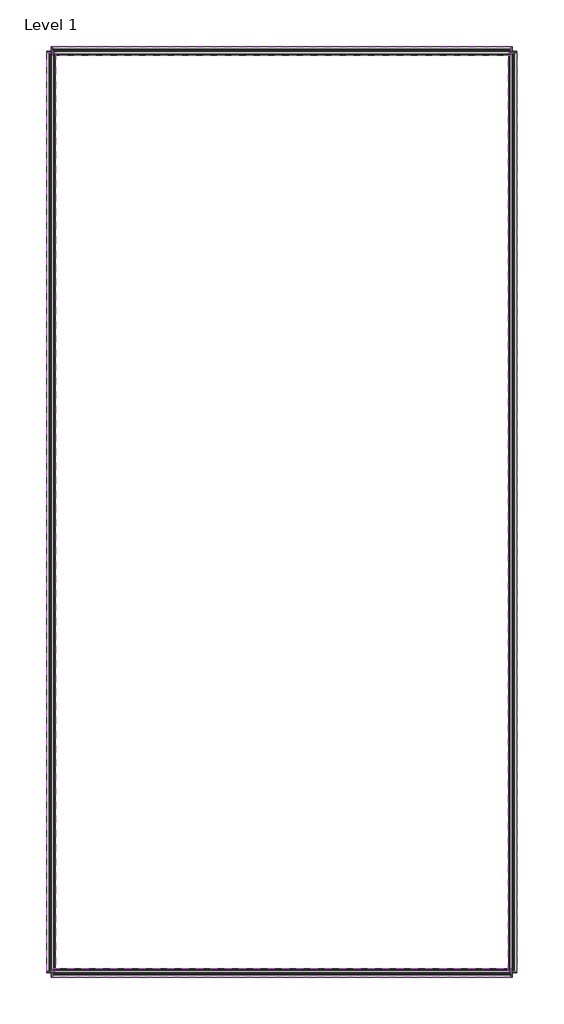
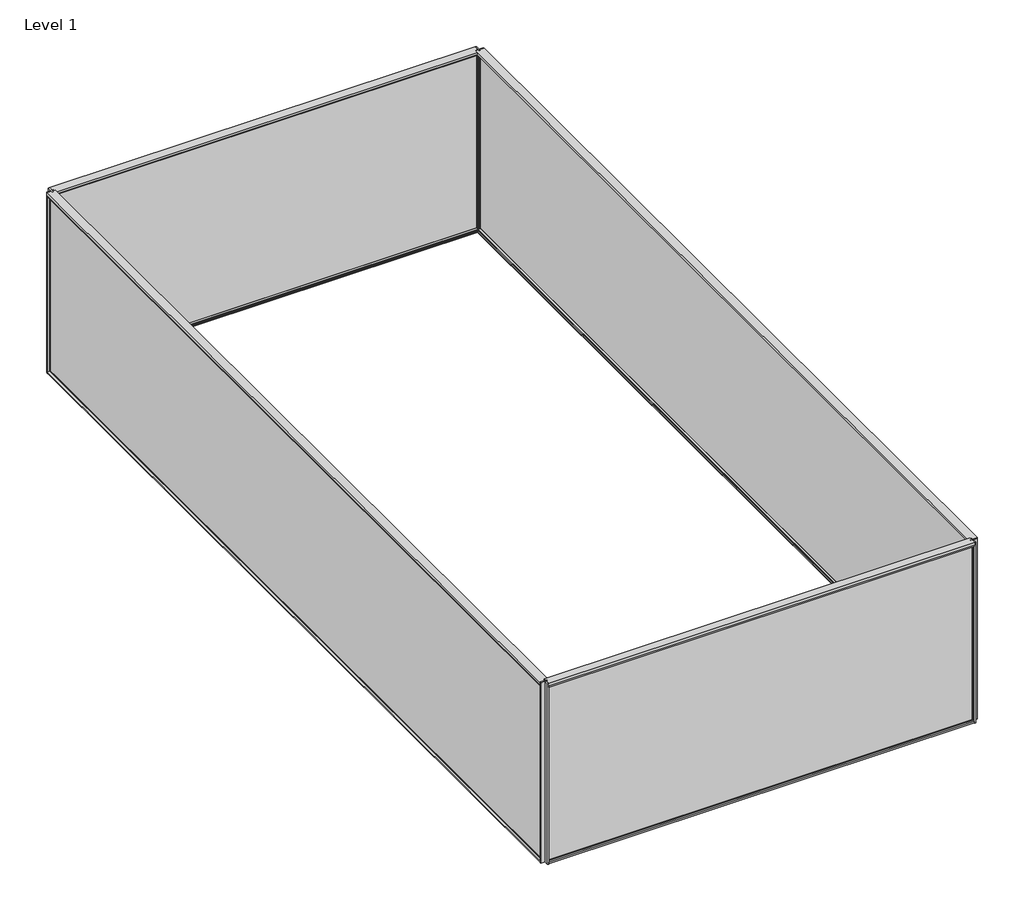
# One storey: 16 members, 4 plates.
"""IFC4 building model written with IfcOpenShell, lengths in millimetres."""

import ifcopenshell
import ifcopenshell.guid

model = None  # the IFC model being written
_history = None  # IfcOwnerHistory: only IFC2X3 demands one
_inside = {}  # id of a spatial element -> (the spatial element, [elements in it])
_under = {}  # id of a project, library or spatial element -> (it, [spatial elements below it])
_declared = {}  # id of a project -> (the project, [libraries it declares])
_typed = {}  # id of a type object -> (the type object, [elements of that type])
_made_of = {}  # id of a material, layer set ... -> (it, [elements and type objects made of it])


def new_model(schema):
    """Start an empty IFC model of exactly this schema.

    Asked for "IFC4X3", IfcOpenShell would pick the latest addendum, in which some entities
    have other attributes; the version numbers below select the first issue.
    IFC2X3 requires an IfcOwnerHistory on every rooted entity: one is made here for all.
    """
    global model, _history
    if schema == "IFC4X3":
        model = ifcopenshell.file(schema_version=(4, 3, 0, 0))
    else:
        model = ifcopenshell.file(schema=schema)
    _inside.clear()
    _under.clear()
    _declared.clear()
    _typed.clear()
    _made_of.clear()
    _history = None
    if model.schema == "IFC2X3":
        org = make("IfcOrganization", Name="unknown")
        user = make(
            "IfcPersonAndOrganization",
            ThePerson=make("IfcPerson", FamilyName="unknown"),
            TheOrganization=org,
        )
        app = make(
            "IfcApplication",
            ApplicationDeveloper=org,
            Version="unknown",
            ApplicationFullName="unknown",
            ApplicationIdentifier="unknown",
        )
        _history = make(
            "IfcOwnerHistory",
            OwningUser=user,
            OwningApplication=app,
            ChangeAction="ADDED",
            CreationDate=0,
        )
    return model


def make(cls, **values):
    """One entity of the class cls with the attributes given. An attribute that is None is left unset."""
    return model.create_entity(
        cls, **{name: value for name, value in values.items() if value is not None}
    )


def rooted(cls, **values):
    """An entity with a GlobalId (a new one), such as an element, a storey or a relation."""
    return make(cls, GlobalId=ifcopenshell.guid.new(), OwnerHistory=_history, **values)


def si_unit(unit_type, name, prefix=None):
    """IfcSIUnit, for example si_unit("LENGTHUNIT", "METRE", prefix="MILLI")."""
    return make("IfcSIUnit", UnitType=unit_type, Prefix=prefix, Name=name)


def assignment(units):
    """IfcUnitAssignment: the units of a project."""
    return None if units is None else make("IfcUnitAssignment", Units=units)


def point(xyz):
    """IfcCartesianPoint."""
    return None if xyz is None else make("IfcCartesianPoint", Coordinates=xyz)


def direction(xyz):
    """IfcDirection."""
    return None if xyz is None else make("IfcDirection", DirectionRatios=xyz)


def frame(location, z_axis=None, x_axis=None):
    """IfcAxis2Placement3D, a coordinate frame: its origin and axes. An axis left out is left unset."""
    return make(
        "IfcAxis2Placement3D",
        Location=point(location),
        Axis=direction(z_axis),
        RefDirection=direction(x_axis),
    )


def origin():
    """The frame at (0, 0, 0) with its axes left unset."""
    return frame((0.0, 0.0, 0.0))


def place(relative_to, where):
    """IfcLocalPlacement: puts the frame where relative to a parent placement (None: the world)."""
    return make(
        "IfcLocalPlacement", PlacementRelTo=relative_to, RelativePlacement=where
    )


def context(
    kind, dimensions, precision=None, world=None, true_north=None, identifier=None
):
    """IfcGeometricRepresentationContext, for example the 3D "Model" context."""
    return make(
        "IfcGeometricRepresentationContext",
        ContextIdentifier=identifier,
        ContextType=kind,
        CoordinateSpaceDimension=dimensions,
        Precision=precision,
        WorldCoordinateSystem=world,
        TrueNorth=true_north,
    )


def project(units=None, contexts=None):
    """IfcProject with its units and contexts."""
    return rooted(
        "IfcProject",
        Name="project",
        RepresentationContexts=contexts,
        UnitsInContext=assignment(units),
    )


def spatial(cls, under=None, at=None, **own):
    """A site, building, storey or space (cls), placed at a placement, below another one or the project."""
    s = rooted(cls, ObjectPlacement=at, **own)
    if under is not None:
        _under.setdefault(under.id(), (under, []))[1].append(s)
    return s


def polyline(points):
    """IfcPolyline through the points."""
    return make("IfcPolyline", Points=[point(p) for p in points])


def outline(outer, holes=None, kind="AREA"):
    """IfcArbitraryClosedProfileDef: a profile drawn as a closed curve; with holes, ...WithVoids."""
    if holes is None:
        return make("IfcArbitraryClosedProfileDef", ProfileType=kind, OuterCurve=outer)
    return make(
        "IfcArbitraryProfileDefWithVoids",
        ProfileType=kind,
        OuterCurve=outer,
        InnerCurves=holes,
    )


def extrude(swept, where, along, depth):
    """IfcExtrudedAreaSolid: the profile swept, set in the frame where, extruded along a direction by depth."""
    return make(
        "IfcExtrudedAreaSolid",
        SweptArea=swept,
        Position=where,
        ExtrudedDirection=direction(along),
        Depth=depth,
    )


def faces_of(points, faces, orient=None, outer=None):
    """IfcFace entities. A face is a list of loops; a loop is a list of indices into points, from 0.

    orient and outer hold one flag for each loop. By default every Orientation is true, the
    first loop of a face is its IfcFaceOuterBound and the others are IfcFaceBound.
    """
    made = []
    for i, loops in enumerate(faces):
        bounds = []
        for j, loop in enumerate(loops):
            is_outer = j == 0 if outer is None else outer[i][j]
            bounds.append(
                make(
                    "IfcFaceOuterBound" if is_outer else "IfcFaceBound",
                    Bound=make("IfcPolyLoop", Polygon=[points[k] for k in loop]),
                    Orientation=True if orient is None else orient[i][j],
                )
            )
        made.append(make("IfcFace", Bounds=bounds))
    return made


def faceted_brep(points, faces, orient=None, outer=None, voids=None):
    """IfcFacetedBrep: a solid bounded by flat faces; with voids (closed shells), ...WithVoids."""
    shared = [point(p) for p in points]
    hull = make("IfcClosedShell", CfsFaces=faces_of(shared, faces, orient, outer))
    if voids is None:
        return make("IfcFacetedBrep", Outer=hull)
    return make(
        "IfcFacetedBrepWithVoids",
        Outer=hull,
        Voids=[
            make(cls, CfsFaces=faces_of(shared, fs, o, b)) for cls, fs, o, b in voids
        ],
    )


def shape(context_of_items, identifier, shape_type, items):
    """IfcShapeRepresentation: the items that make up one representation, for example the "Body"."""
    return make(
        "IfcShapeRepresentation",
        ContextOfItems=context_of_items,
        RepresentationIdentifier=identifier,
        RepresentationType=shape_type,
        Items=items,
    )


def source(mapping_origin, context_of_items, identifier, shape_type, items):
    """IfcRepresentationMap: a shape defined once, which mapped items show again and again."""
    return make(
        "IfcRepresentationMap",
        MappingOrigin=mapping_origin,
        MappedRepresentation=shape(context_of_items, identifier, shape_type, items),
    )


def transform(
    local_origin,
    x_axis=None,
    y_axis=None,
    z_axis=None,
    scale=None,
    scale2=None,
    scale3=None,
    uniform=True,
):
    """IfcCartesianTransformationOperator3D, or its non-uniform kind. x_axis, y_axis, z_axis: its Axis1, 2, 3."""
    if uniform:
        return make(
            "IfcCartesianTransformationOperator3D",
            Axis1=direction(x_axis),
            Axis2=direction(y_axis),
            LocalOrigin=point(local_origin),
            Scale=scale,
            Axis3=direction(z_axis),
        )
    return make(
        "IfcCartesianTransformationOperator3DnonUniform",
        Axis1=direction(x_axis),
        Axis2=direction(y_axis),
        LocalOrigin=point(local_origin),
        Scale=scale,
        Axis3=direction(z_axis),
        Scale2=scale2,
        Scale3=scale3,
    )


def mapped(mapping_source, mapping_target):
    """IfcMappedItem: shows the shape of a source again, moved by a transform."""
    return make(
        "IfcMappedItem", MappingSource=mapping_source, MappingTarget=mapping_target
    )


def made_of(thing, what):
    """Note that an element or type object is made of a material, layer set ...; save() writes the relation."""
    if what is not None:
        _made_of.setdefault(what.id(), (what, []))[1].append(thing)
    return thing


def element(
    cls,
    number,
    at=None,
    inside=None,
    cuts=None,
    type_object=None,
    material=None,
    context=None,
    identifier="Body",
    shape_type=None,
    held_by="IfcProductDefinitionShape",
    body=None,
    shapes=None,
    **own,
):
    """One element of the class cls, such as IfcWall. Its Tag is "e" and its number.

    at: its placement. inside: the storey or other place that contains it. cuts: it is an
    opening in that element (IfcRelVoidsElement). A single representation is given by context,
    identifier, shape_type and body (its items); several are given by shapes. held_by: the class
    of the entity that holds the representations. save() writes the other relations.
    """
    e = rooted(cls, Tag="e%d" % number, ObjectPlacement=at, **own)
    if body is not None:
        shapes = [shape(context, identifier, shape_type, body)]
    if shapes is not None:
        e.Representation = make(held_by, Representations=shapes)
    if inside is not None:
        _inside.setdefault(inside.id(), (inside, []))[1].append(e)
    if cuts is not None:
        rooted(
            "IfcRelVoidsElement", RelatingBuildingElement=cuts, RelatedOpeningElement=e
        )
    if type_object is not None:
        _typed.setdefault(type_object.id(), (type_object, []))[1].append(e)
    return made_of(e, material)


def aggregate(whole, parts):
    """IfcRelAggregates: a whole, such as a stair, and the parts it consists of."""
    return rooted("IfcRelAggregates", RelatingObject=whole, RelatedObjects=parts)


def save(model, path):
    """Write the relations noted so far, then the file.

    IfcRelAggregates (storeys below a building ...), IfcRelContainedInSpatialStructure (elements
    in a storey), IfcRelDefinesByType, IfcRelAssociatesMaterial and IfcRelDeclares: one each for
    every whole, place, type object, material and project.
    """
    for whole, parts in _under.values():
        aggregate(whole, parts)
    for where, things in _inside.values():
        rooted(
            "IfcRelContainedInSpatialStructure",
            RelatedElements=things,
            RelatingStructure=where,
        )
    for kind, things in _typed.values():
        rooted("IfcRelDefinesByType", RelatedObjects=things, RelatingType=kind)
    for what, things in _made_of.values():
        rooted("IfcRelAssociatesMaterial", RelatedObjects=things, RelatingMaterial=what)
    for by, libraries in _declared.values():
        rooted("IfcRelDeclares", RelatingContext=by, RelatedDefinitions=libraries)
    model.write(path)


def rectangular_mullion_qws_mullion_ew_head_895bf521(model_context):
    return source(origin(), model_context, "Body", "SweptSolid", [
        extrude(outline(polyline([(-53.6296796, 52.0998485), (-53.6296796, 79.0368628), (0.0, 79.0368628), (0.0, -95.5153725), (-53.6295708, -95.5153725), (-53.6295708, -88.9), (-82.5499489, -88.9), (-82.5499489, 52.0998485), (-53.6296796, 52.0998485)])), frame((0.0, 0.0, -8914.4770724), z_axis=(0.0, 0.0, 1.0), x_axis=(1.0, 0.0, 0.0)), (0.0, 0.0, 1.0), 8914.4770724),
    ])


def rectangular_mullion_qws_mullion_ew_head_e1ec347b(model_context):
    return source(origin(), model_context, "Body", "SweptSolid", [
        extrude(outline(polyline([(-53.6296796, 52.0998485), (-53.6296796, 79.0368628), (0.0, 79.0368628), (0.0, -95.5153725), (-53.6295708, -95.5153725), (-53.6295708, -88.9), (-82.5499489, -88.9), (-82.5499489, 52.0998485), (-53.6296796, 52.0998485)])), frame((0.0, 0.0, -17870.3600445), z_axis=(0.0, 0.0, 1.0), x_axis=(1.0, 0.0, 0.0)), (0.0, 0.0, 1.0), 17870.3600445),
    ])


def rectangular_mullion_qws_mullion_ew_jamb_non_seismic_side_1_6b3b1e47(model_context):
    return source(origin(), model_context, "Body", "SweptSolid", [
        extrude(outline(polyline([(-25.3999466, -88.9), (-25.3999466, 52.0998485), (0.0, 52.0998485), (0.0, -88.9), (-25.3999466, -88.9)])), frame((0.0, 0.0, -4000.0), z_axis=(0.0, 0.0, 1.0), x_axis=(1.0, 0.0, 0.0)), (0.0, 0.0, 1.0), 4000.0),
    ])


def rectangular_mullion_qws_mullion_ew_sill_b4b38639(model_context):
    return source(origin(), model_context, "Body", "SweptSolid", [
        extrude(outline(polyline([(-9.525, -88.9), (-34.9249494, -88.9), (-34.9249494, 52.0998485), (-32.3972498, 52.0998485), (-32.3972498, 70.2579067), (-6.9972498, 70.2579067), (-6.9972498, 57.085584), (0.0, 57.085584), (0.0, 6.285584), (-9.525, 6.285584), (-9.525, -88.9)])), frame((0.0, 0.0, -8914.4770724), z_axis=(0.0, 0.0, 1.0), x_axis=(1.0, 0.0, 0.0)), (0.0, 0.0, 1.0), 8914.4770724),
    ])


def rectangular_mullion_qws_mullion_ew_sill_8b8bb3f2(model_context):
    return source(origin(), model_context, "Body", "SweptSolid", [
        extrude(outline(polyline([(-9.525, -88.9), (-34.9249494, -88.9), (-34.9249494, 52.0998485), (-32.3972498, 52.0998485), (-32.3972498, 70.2579067), (-6.9972498, 70.2579067), (-6.9972498, 57.085584), (0.0, 57.085584), (0.0, 6.285584), (-9.525, 6.285584), (-9.525, -88.9)])), frame((0.0, 0.0, -17870.3600445), z_axis=(0.0, 0.0, 1.0), x_axis=(1.0, 0.0, 0.0)), (0.0, 0.0, 1.0), 17870.3600445),
    ])


def qws_panel_glass_qws_panel_glass_b4d384f1(model_context):
    return source(origin(), model_context, "Body", "SolidModel", [
        extrude(outline(polyline([(-4450.8885299, 33.4392996), (-4450.1480375, 34.179792), (4450.1480375, 34.179792), (4450.8885299, 33.4392996), (4450.8885299, 28.9297919), (4450.1385299, 28.1797919), (-4450.1385299, 28.1797919), (-4450.8885299, 28.9297919), (-4450.8885299, 33.4392996)])), frame((0.0, 0.0, 6.3500063), z_axis=(0.0, 0.0, 1.0), x_axis=(1.0, 0.0, 0.0)), (0.0, 0.0, 1.0), 3869.8250892),
        extrude(outline(polyline([(-4450.8885299, 10.8642995), (-4450.1480375, 11.6047918), (4450.1480375, 11.6047918), (4450.8885299, 10.8642995), (4450.8885299, 6.3547918), (4450.1385299, 5.6047918), (-4450.1385299, 5.6047918), (-4450.8885299, 6.3547918), (-4450.8885299, 10.8642995)])), frame((0.0, 0.0, 6.3500063), z_axis=(0.0, 0.0, 1.0), x_axis=(1.0, 0.0, 0.0)), (0.0, 0.0, 1.0), 3869.8250892),
        faceted_brep([(-4450.1385299, 11.6047919, 7.1000063), (-4450.1385299, 28.179792, 7.1000063), (4450.1385299, 28.179792, 7.1000063), (4450.1385299, 11.6047919, 7.1000063), (-4441.1385298, 28.179792, 16.1000064), (-4441.1385298, 11.6047919, 16.1000064), (4441.1385298, 11.6047919, 16.1000064), (4441.1385298, 28.179792, 16.1000064), (4450.1385299, 28.179792, 3875.4250955), (4450.1385299, 11.6047919, 3875.4250955), (4441.1385298, 11.6047919, 3866.4250954), (4441.1385298, 28.179792, 3866.4250954), (-4450.1385299, 28.179792, 3875.4250955), (-4450.1385299, 11.6047919, 3875.4250955), (-4441.1385298, 11.6047919, 3866.4250954), (-4441.1385298, 28.179792, 3866.4250954)], [[[0, 1, 2, 3]], [[4, 5, 6, 7]], [[3, 2, 8, 9]], [[7, 6, 10, 11]], [[9, 8, 12, 13]], [[11, 10, 14, 15]], [[1, 12, 8, 2], [7, 11, 15, 4]], [[13, 12, 1, 0]], [[15, 14, 5, 4]], [[3, 9, 13, 0], [5, 14, 10, 6]]]),
        faceted_brep([(-4447.7887549, 34.179792, 9.4497813), (-4447.7887549, 37.4051031, 9.4497813), (4447.7887549, 37.4051031, 9.4497813), (4447.7887549, 34.179792, 9.4497813), (-4439.7887711, 37.4051031, 17.4497651), (-4439.7887711, 34.179792, 17.4497651), (4439.7887711, 34.179792, 17.4497651), (4439.7887711, 37.4051031, 17.4497651), (4447.7887549, 37.4051031, 3873.0753205), (4447.7887549, 34.179792, 3873.0753205), (4439.7887711, 34.179792, 3865.0753367), (4439.7887711, 37.4051031, 3865.0753367), (-4447.7887549, 37.4051031, 3873.0753205), (-4447.7887549, 34.179792, 3873.0753205), (-4439.7887711, 34.179792, 3865.0753367), (-4439.7887711, 37.4051031, 3865.0753367)], [[[0, 1, 2, 3]], [[4, 5, 6, 7]], [[3, 2, 8, 9]], [[7, 6, 10, 11]], [[9, 8, 12, 13]], [[11, 10, 14, 15]], [[1, 12, 8, 2], [7, 11, 15, 4]], [[13, 12, 1, 0]], [[3, 9, 13, 0], [5, 14, 10, 6]], [[15, 14, 5, 4]]]),
        faceted_brep([(-4439.8770191, 5.604792, 17.3615171), (-4439.8770191, 2.6397305, 17.3615171), (4439.8770191, 2.6397305, 17.3615171), (4439.8770191, 5.604792, 17.3615171), (-4457.2385362, -12.1420405, 0.0), (-4457.2385362, 5.604792, 0.0), (4457.2385362, 5.604792, 0.0), (4457.2385362, -12.1420405, 0.0), (-4455.9807885, 2.6397305, 1.2577476), (-4455.9807885, -12.1420405, 1.2577476), (4455.9807885, -12.1420405, 1.2577476), (4455.9807885, 2.6397305, 1.2577476), (4439.8770191, 2.6397305, 3865.1635847), (4439.8770191, 5.604792, 3865.1635847), (4457.2385362, 5.604792, 3882.5251018), (4457.2385362, -12.1420405, 3882.5251018), (4455.9807885, -12.1420405, 3881.2673541), (4455.9807885, 2.6397305, 3881.2673541), (-4439.8770191, 2.6397305, 3865.1635847), (-4439.8770191, 5.604792, 3865.1635847), (-4457.2385362, 5.604792, 3882.5251018), (-4457.2385362, -12.1420405, 3882.5251018), (-4455.9807885, -12.1420405, 3881.2673541), (-4455.9807885, 2.6397305, 3881.2673541)], [[[0, 1, 2, 3]], [[4, 5, 6, 7]], [[8, 9, 10, 11]], [[3, 2, 12, 13]], [[7, 6, 14, 15]], [[11, 10, 16, 17]], [[13, 12, 18, 19]], [[15, 14, 20, 21]], [[17, 16, 22, 23]], [[11, 17, 23, 8], [1, 18, 12, 2]], [[19, 18, 1, 0]], [[5, 20, 14, 6], [3, 13, 19, 0]], [[21, 20, 5, 4]], [[7, 15, 21, 4], [9, 22, 16, 10]], [[23, 22, 9, 8]]]),
        faceted_brep([(-4439.877019, 2.6397303, 17.3615172), (-4439.877019, -39.4200311, 17.3615172), (4439.877019, -39.4200311, 17.3615172), (4439.877019, 2.6397303, 17.3615172), (-4448.5403491, -1.7407893, 8.6981871), (-4448.5403491, 2.6397303, 8.6981871), (4448.5403491, 2.6397303, 8.6981871), (4448.5403491, -1.7407893, 8.6981871), (-4441.1470187, -18.6882645, 16.0915175), (-4441.1470187, -1.7407893, 16.0915175), (4441.1470187, -1.7407893, 16.0915175), (4441.1470187, -18.6882645, 16.0915175), (-4457.2385362, -36.2451682, 0.0), (-4457.2385362, -18.6882645, 0.0), (4457.2385362, -18.6882645, 0.0), (4457.2385362, -36.2451682, 0.0), (-4455.2750504, -39.4200311, 1.9634857), (-4455.2750504, -36.2451682, 1.9634857), (4455.2750504, -36.2451682, 1.9634857), (4455.2750504, -39.4200311, 1.9634857), (4439.877019, -39.4200311, 3865.1635845), (4439.877019, 2.6397303, 3865.1635845), (4448.5403491, 2.6397303, 3873.8269147), (4448.5403491, -1.7407893, 3873.8269147), (4441.1470187, -1.7407893, 3866.4335842), (4441.1470187, -18.6882645, 3866.4335842), (4457.2385362, -18.6882645, 3882.5251018), (4457.2385362, -36.2451682, 3882.5251018), (4455.2750504, -36.2451682, 3880.561616), (4455.2750504, -39.4200311, 3880.561616), (-4439.877019, -39.4200311, 3865.1635845), (-4439.877019, 2.6397303, 3865.1635845), (-4448.5403491, 2.6397303, 3873.8269147), (-4448.5403491, -1.7407893, 3873.8269147), (-4441.1470187, -1.7407893, 3866.4335842), (-4441.1470187, -18.6882645, 3866.4335842), (-4457.2385362, -18.6882645, 3882.5251018), (-4457.2385362, -36.2451682, 3882.5251018), (-4455.2750504, -36.2451682, 3880.561616), (-4455.2750504, -39.4200311, 3880.561616)], [[[0, 1, 2, 3]], [[4, 5, 6, 7]], [[8, 9, 10, 11]], [[12, 13, 14, 15]], [[16, 17, 18, 19]], [[3, 2, 20, 21]], [[7, 6, 22, 23]], [[11, 10, 24, 25]], [[15, 14, 26, 27]], [[19, 18, 28, 29]], [[21, 20, 30, 31]], [[23, 22, 32, 33]], [[25, 24, 34, 35]], [[27, 26, 36, 37]], [[29, 28, 38, 39]], [[31, 30, 1, 0]], [[5, 32, 22, 6], [3, 21, 31, 0]], [[33, 32, 5, 4]], [[7, 23, 33, 4], [9, 34, 24, 10]], [[35, 34, 9, 8]], [[13, 36, 26, 14], [11, 25, 35, 8]], [[37, 36, 13, 12]], [[15, 27, 37, 12], [17, 38, 28, 18]], [[39, 38, 17, 16]], [[19, 29, 39, 16], [1, 30, 20, 2]]]),
        faceted_brep([(-4447.7887549, 37.405103, 9.4497813), (-4447.7887549, 40.008095, 9.4497813), (4447.7887549, 40.008095, 9.4497813), (4447.7887549, 37.405103, 9.4497813), (-4439.788771, 41.405095, 17.4497652), (-4439.788771, 37.405103, 17.4497652), (4439.788771, 37.405103, 17.4497652), (4439.788771, 41.405095, 17.4497652), (-4457.2385362, 40.008095, 0.0), (-4457.2385362, 41.405095, 0.0), (4457.2385362, 41.405095, 0.0), (4457.2385362, 40.008095, 0.0), (4447.7887549, 40.008095, 3873.0753205), (4447.7887549, 37.405103, 3873.0753205), (4439.788771, 37.405103, 3865.0753365), (4439.788771, 41.405095, 3865.0753365), (4457.2385362, 41.405095, 3882.5251018), (4457.2385362, 40.008095, 3882.5251018), (-4447.7887549, 40.008095, 3873.0753205), (-4447.7887549, 37.405103, 3873.0753205), (-4439.788771, 37.405103, 3865.0753365), (-4439.788771, 41.405095, 3865.0753365), (-4457.2385362, 41.405095, 3882.5251018), (-4457.2385362, 40.008095, 3882.5251018)], [[[0, 1, 2, 3]], [[4, 5, 6, 7]], [[8, 9, 10, 11]], [[3, 2, 12, 13]], [[7, 6, 14, 15]], [[11, 10, 16, 17]], [[13, 12, 18, 19]], [[15, 14, 20, 21]], [[17, 16, 22, 23]], [[19, 18, 1, 0]], [[3, 13, 19, 0], [5, 20, 14, 6]], [[21, 20, 5, 4]], [[9, 22, 16, 10], [7, 15, 21, 4]], [[23, 22, 9, 8]], [[11, 17, 23, 8], [1, 18, 12, 2]]]),
    ])


def qws_panel_glass_qws_panel_glass_76de3948(model_context):
    return source(origin(), model_context, "Body", "SolidModel", [
        extrude(outline(polyline([(-8928.830016, 33.4392996), (-8928.0895236, 34.179792), (8928.0895236, 34.179792), (8928.830016, 33.4392996), (8928.830016, 28.9297919), (8928.080016, 28.1797919), (-8928.080016, 28.1797919), (-8928.830016, 28.9297919), (-8928.830016, 33.4392996)])), frame((0.0, 0.0, 6.3500063), z_axis=(0.0, 0.0, 1.0), x_axis=(1.0, 0.0, 0.0)), (0.0, 0.0, 1.0), 3869.8250892),
        extrude(outline(polyline([(-8928.830016, 10.8642995), (-8928.0895236, 11.6047918), (8928.0895236, 11.6047918), (8928.830016, 10.8642995), (8928.830016, 6.3547918), (8928.080016, 5.6047918), (-8928.080016, 5.6047918), (-8928.830016, 6.3547918), (-8928.830016, 10.8642995)])), frame((0.0, 0.0, 6.3500063), z_axis=(0.0, 0.0, 1.0), x_axis=(1.0, 0.0, 0.0)), (0.0, 0.0, 1.0), 3869.8250892),
        faceted_brep([(-8928.080016, 11.6047919, 7.1000063), (-8928.080016, 28.179792, 7.1000063), (8928.080016, 28.179792, 7.1000063), (8928.080016, 11.6047919, 7.1000063), (-8919.0800159, 28.179792, 16.1000064), (-8919.0800159, 11.6047919, 16.1000064), (8919.0800159, 11.6047919, 16.1000064), (8919.0800159, 28.179792, 16.1000064), (8928.080016, 28.179792, 3875.4250955), (8928.080016, 11.6047919, 3875.4250955), (8919.0800159, 11.6047919, 3866.4250954), (8919.0800159, 28.179792, 3866.4250954), (-8928.080016, 28.179792, 3875.4250955), (-8928.080016, 11.6047919, 3875.4250955), (-8919.0800159, 11.6047919, 3866.4250954), (-8919.0800159, 28.179792, 3866.4250954)], [[[0, 1, 2, 3]], [[4, 5, 6, 7]], [[3, 2, 8, 9]], [[7, 6, 10, 11]], [[9, 8, 12, 13]], [[11, 10, 14, 15]], [[1, 12, 8, 2], [7, 11, 15, 4]], [[13, 12, 1, 0]], [[15, 14, 5, 4]], [[3, 9, 13, 0], [5, 14, 10, 6]]]),
        faceted_brep([(-8925.730241, 34.179792, 9.4497813), (-8925.730241, 37.4051031, 9.4497813), (8925.730241, 37.4051031, 9.4497813), (8925.730241, 34.179792, 9.4497813), (-8917.7302572, 37.4051031, 17.4497651), (-8917.7302572, 34.179792, 17.4497651), (8917.7302572, 34.179792, 17.4497651), (8917.7302572, 37.4051031, 17.4497651), (8925.730241, 37.4051031, 3873.0753205), (8925.730241, 34.179792, 3873.0753205), (8917.7302572, 34.179792, 3865.0753367), (8917.7302572, 37.4051031, 3865.0753367), (-8925.730241, 37.4051031, 3873.0753205), (-8925.730241, 34.179792, 3873.0753205), (-8917.7302572, 34.179792, 3865.0753367), (-8917.7302572, 37.4051031, 3865.0753367)], [[[0, 1, 2, 3]], [[4, 5, 6, 7]], [[3, 2, 8, 9]], [[7, 6, 10, 11]], [[9, 8, 12, 13]], [[11, 10, 14, 15]], [[1, 12, 8, 2], [7, 11, 15, 4]], [[13, 12, 1, 0]], [[3, 9, 13, 0], [5, 14, 10, 6]], [[15, 14, 5, 4]]]),
        faceted_brep([(-8917.8185052, 5.604792, 17.3615171), (-8917.8185052, 2.6397305, 17.3615171), (8917.8185052, 2.6397305, 17.3615171), (8917.8185052, 5.604792, 17.3615171), (-8935.1800223, -12.1420405, 0.0), (-8935.1800223, 5.604792, 0.0), (8935.1800223, 5.604792, 0.0), (8935.1800223, -12.1420405, 0.0), (-8933.9222746, 2.6397305, 1.2577476), (-8933.9222746, -12.1420405, 1.2577476), (8933.9222746, -12.1420405, 1.2577476), (8933.9222746, 2.6397305, 1.2577476), (8917.8185052, 2.6397305, 3865.1635847), (8917.8185052, 5.604792, 3865.1635847), (8935.1800223, 5.604792, 3882.5251018), (8935.1800223, -12.1420405, 3882.5251018), (8933.9222746, -12.1420405, 3881.2673541), (8933.9222746, 2.6397305, 3881.2673541), (-8917.8185052, 2.6397305, 3865.1635847), (-8917.8185052, 5.604792, 3865.1635847), (-8935.1800223, 5.604792, 3882.5251018), (-8935.1800223, -12.1420405, 3882.5251018), (-8933.9222746, -12.1420405, 3881.2673541), (-8933.9222746, 2.6397305, 3881.2673541)], [[[0, 1, 2, 3]], [[4, 5, 6, 7]], [[8, 9, 10, 11]], [[3, 2, 12, 13]], [[7, 6, 14, 15]], [[11, 10, 16, 17]], [[13, 12, 18, 19]], [[15, 14, 20, 21]], [[17, 16, 22, 23]], [[11, 17, 23, 8], [1, 18, 12, 2]], [[19, 18, 1, 0]], [[5, 20, 14, 6], [3, 13, 19, 0]], [[21, 20, 5, 4]], [[7, 15, 21, 4], [9, 22, 16, 10]], [[23, 22, 9, 8]]]),
        faceted_brep([(-8917.818505, 2.6397303, 17.3615172), (-8917.818505, -39.4200311, 17.3615172), (8917.818505, -39.4200311, 17.3615172), (8917.818505, 2.6397303, 17.3615172), (-8926.4818352, -1.7407893, 8.6981871), (-8926.4818352, 2.6397303, 8.6981871), (8926.4818352, 2.6397303, 8.6981871), (8926.4818352, -1.7407893, 8.6981871), (-8919.0885047, -18.6882645, 16.0915175), (-8919.0885047, -1.7407893, 16.0915175), (8919.0885047, -1.7407893, 16.0915175), (8919.0885047, -18.6882645, 16.0915175), (-8935.1800223, -36.2451682, 0.0), (-8935.1800223, -18.6882645, 0.0), (8935.1800223, -18.6882645, 0.0), (8935.1800223, -36.2451682, 0.0), (-8933.2165365, -39.4200311, 1.9634857), (-8933.2165365, -36.2451682, 1.9634857), (8933.2165365, -36.2451682, 1.9634857), (8933.2165365, -39.4200311, 1.9634857), (8917.818505, -39.4200311, 3865.1635845), (8917.818505, 2.6397303, 3865.1635845), (8926.4818352, 2.6397303, 3873.8269147), (8926.4818352, -1.7407893, 3873.8269147), (8919.0885047, -1.7407893, 3866.4335842), (8919.0885047, -18.6882645, 3866.4335842), (8935.1800223, -18.6882645, 3882.5251018), (8935.1800223, -36.2451682, 3882.5251018), (8933.2165365, -36.2451682, 3880.561616), (8933.2165365, -39.4200311, 3880.561616), (-8917.818505, -39.4200311, 3865.1635845), (-8917.818505, 2.6397303, 3865.1635845), (-8926.4818352, 2.6397303, 3873.8269147), (-8926.4818352, -1.7407893, 3873.8269147), (-8919.0885047, -1.7407893, 3866.4335842), (-8919.0885047, -18.6882645, 3866.4335842), (-8935.1800223, -18.6882645, 3882.5251018), (-8935.1800223, -36.2451682, 3882.5251018), (-8933.2165365, -36.2451682, 3880.561616), (-8933.2165365, -39.4200311, 3880.561616)], [[[0, 1, 2, 3]], [[4, 5, 6, 7]], [[8, 9, 10, 11]], [[12, 13, 14, 15]], [[16, 17, 18, 19]], [[3, 2, 20, 21]], [[7, 6, 22, 23]], [[11, 10, 24, 25]], [[15, 14, 26, 27]], [[19, 18, 28, 29]], [[21, 20, 30, 31]], [[23, 22, 32, 33]], [[25, 24, 34, 35]], [[27, 26, 36, 37]], [[29, 28, 38, 39]], [[31, 30, 1, 0]], [[5, 32, 22, 6], [3, 21, 31, 0]], [[33, 32, 5, 4]], [[7, 23, 33, 4], [9, 34, 24, 10]], [[35, 34, 9, 8]], [[13, 36, 26, 14], [11, 25, 35, 8]], [[37, 36, 13, 12]], [[15, 27, 37, 12], [17, 38, 28, 18]], [[39, 38, 17, 16]], [[19, 29, 39, 16], [1, 30, 20, 2]]]),
        faceted_brep([(-8925.7302409, 37.405103, 9.4497813), (-8925.7302409, 40.008095, 9.4497813), (8925.7302409, 40.008095, 9.4497813), (8925.7302409, 37.405103, 9.4497813), (-8917.730257, 41.405095, 17.4497652), (-8917.730257, 37.405103, 17.4497652), (8917.730257, 37.405103, 17.4497652), (8917.730257, 41.405095, 17.4497652), (-8935.1800223, 40.008095, 0.0), (-8935.1800223, 41.405095, 0.0), (8935.1800223, 41.405095, 0.0), (8935.1800223, 40.008095, 0.0), (8925.7302409, 40.008095, 3873.0753205), (8925.7302409, 37.405103, 3873.0753205), (8917.730257, 37.405103, 3865.0753365), (8917.730257, 41.405095, 3865.0753365), (8935.1800223, 41.405095, 3882.5251018), (8935.1800223, 40.008095, 3882.5251018), (-8925.7302409, 40.008095, 3873.0753205), (-8925.7302409, 37.405103, 3873.0753205), (-8917.730257, 37.405103, 3865.0753365), (-8917.730257, 41.405095, 3865.0753365), (-8935.1800223, 41.405095, 3882.5251018), (-8935.1800223, 40.008095, 3882.5251018)], [[[0, 1, 2, 3]], [[4, 5, 6, 7]], [[8, 9, 10, 11]], [[3, 2, 12, 13]], [[7, 6, 14, 15]], [[11, 10, 16, 17]], [[13, 12, 18, 19]], [[15, 14, 20, 21]], [[17, 16, 22, 23]], [[19, 18, 1, 0]], [[3, 13, 19, 0], [5, 20, 14, 6]], [[21, 20, 5, 4]], [[9, 22, 16, 10], [7, 15, 21, 4]], [[23, 22, 9, 8]], [[11, 17, 23, 8], [1, 18, 12, 2]]]),
    ])


model = new_model("IFC4")

# Units and contexts
model_context = context("Model", 3, world=origin())
ifc_project = project(units=[si_unit("LENGTHUNIT", "METRE", prefix="MILLI")], contexts=[model_context])

# Site, building, storey
site = spatial("IfcSite", under=ifc_project)
building = spatial("IfcBuilding", under=site)
storey = spatial("IfcBuildingStorey", under=building, Name="Level 1", Elevation=0.0)

# Members
placement = place(None, origin())
rectangular_mullion_qws_mullion_ew_head_shape = rectangular_mullion_qws_mullion_ew_head_895bf521(model_context)
element("IfcMember", 1, ObjectType="Rectangular Mullion : QWS_MULLION_EW HEAD", at=placement, inside=storey, context=model_context, shape_type="MappedRepresentation", body=[
    mapped(rectangular_mullion_qws_mullion_ew_head_shape, transform((4320.6417953, 11650.6945895, 4000.0), x_axis=(0.0, 0.0, 1.0), y_axis=(0.0, -1.0, 0.0), z_axis=(1.0, 0.0, 0.0))),
])
element("IfcMember", 2, ObjectType="Rectangular Mullion : QWS_MULLION_EW HEAD", at=placement, inside=storey, context=model_context, shape_type="MappedRepresentation", body=[
    mapped(rectangular_mullion_qws_mullion_ew_head_shape, transform((-4593.8352771, -6270.4653483, 4000.0), x_axis=(0.0, 0.0, 1.0), y_axis=(0.0, 1.0, 0.0), z_axis=(-1.0, 0.0, 0.0))),
])
rectangular_mullion_qws_mullion_ew_head_2_shape = rectangular_mullion_qws_mullion_ew_head_e1ec347b(model_context)
element("IfcMember", 3, ObjectType="Rectangular Mullion : QWS_MULLION_EW HEAD", at=placement, inside=storey, context=model_context, shape_type="MappedRepresentation", body=[
    mapped(rectangular_mullion_qws_mullion_ew_head_2_shape, transform((-4619.2352237, 11625.2946429, 4000.0), x_axis=(0.0, 0.0, 1.0), y_axis=(1.0, 0.0, 0.0), z_axis=(0.0, 1.0, 0.0))),
])
element("IfcMember", 4, ObjectType="Rectangular Mullion : QWS_MULLION_EW HEAD", at=placement, inside=storey, context=model_context, shape_type="MappedRepresentation", body=[
    mapped(rectangular_mullion_qws_mullion_ew_head_2_shape, transform((4346.0417419, -6245.0654017, 4000.0), x_axis=(0.0, 0.0, 1.0), y_axis=(-1.0, 0.0, 0.0), z_axis=(0.0, -1.0, 0.0))),
])
rectangular_mullion_qws_mullion_ew_jamb_non_seismic_side_1_shape = rectangular_mullion_qws_mullion_ew_jamb_non_seismic_side_1_6b3b1e47(model_context)
element("IfcMember", 5, ObjectType="Rectangular Mullion : QWS_MULLION_EW JAMB_NON SEISMIC_SIDE 1", at=placement, inside=storey, context=model_context, shape_type="MappedRepresentation", body=[
    mapped(rectangular_mullion_qws_mullion_ew_jamb_non_seismic_side_1_shape, transform((-4619.2352237, 11650.6945895, 4000.0), x_axis=(-1.0, 0.0, 0.0), y_axis=(0.0, -1.0, 0.0), z_axis=(0.0, 0.0, 1.0))),
])
element("IfcMember", 6, ObjectType="Rectangular Mullion : QWS_MULLION_EW JAMB_NON SEISMIC_SIDE 1", at=placement, inside=storey, context=model_context, shape_type="MappedRepresentation", body=[
    mapped(rectangular_mullion_qws_mullion_ew_jamb_non_seismic_side_1_shape, transform((-4619.2352237, -6270.4653483, 4000.0), x_axis=(0.0, -1.0, 0.0), y_axis=(1.0, 0.0, 0.0), z_axis=(0.0, 0.0, 1.0))),
])
element("IfcMember", 7, ObjectType="Rectangular Mullion : QWS_MULLION_EW JAMB_NON SEISMIC_SIDE 1", at=placement, inside=storey, context=model_context, shape_type="MappedRepresentation", body=[
    mapped(rectangular_mullion_qws_mullion_ew_jamb_non_seismic_side_1_shape, transform((4346.0417419, -6270.4653483, 4000.0), x_axis=(1.0, 0.0, 0.0), y_axis=(0.0, 1.0, 0.0), z_axis=(0.0, 0.0, 1.0))),
])
element("IfcMember", 8, ObjectType="Rectangular Mullion : QWS_MULLION_EW JAMB_NON SEISMIC_SIDE 1", at=placement, inside=storey, context=model_context, shape_type="MappedRepresentation", body=[
    mapped(rectangular_mullion_qws_mullion_ew_jamb_non_seismic_side_1_shape, transform((4346.0417419, 11650.6945895, 4000.0), x_axis=(0.0, 1.0, 0.0), y_axis=(-1.0, 0.0, 0.0), z_axis=(0.0, 0.0, 1.0))),
])
element("IfcMember", 9, ObjectType="Rectangular Mullion : QWS_MULLION_EW JAMB_NON SEISMIC_SIDE 2", at=placement, inside=storey, context=model_context, shape_type="MappedRepresentation", body=[
    mapped(rectangular_mullion_qws_mullion_ew_jamb_non_seismic_side_1_shape, transform((4346.0417419, 11650.6945895, 0.0), x_axis=(1.0, 0.0, 0.0), y_axis=(0.0, -1.0, 0.0), z_axis=(0.0, 0.0, -1.0))),
])
element("IfcMember", 10, ObjectType="Rectangular Mullion : QWS_MULLION_EW JAMB_NON SEISMIC_SIDE 2", at=placement, inside=storey, context=model_context, shape_type="MappedRepresentation", body=[
    mapped(rectangular_mullion_qws_mullion_ew_jamb_non_seismic_side_1_shape, transform((-4619.2352237, 11650.6945895, 0.0), x_axis=(0.0, 1.0, 0.0), y_axis=(1.0, 0.0, 0.0), z_axis=(0.0, 0.0, -1.0))),
])
element("IfcMember", 11, ObjectType="Rectangular Mullion : QWS_MULLION_EW JAMB_NON SEISMIC_SIDE 2", at=placement, inside=storey, context=model_context, shape_type="MappedRepresentation", body=[
    mapped(rectangular_mullion_qws_mullion_ew_jamb_non_seismic_side_1_shape, transform((-4619.2352237, -6270.4653483, 0.0), x_axis=(-1.0, 0.0, 0.0), y_axis=(0.0, 1.0, 0.0), z_axis=(0.0, 0.0, -1.0))),
])
element("IfcMember", 12, ObjectType="Rectangular Mullion : QWS_MULLION_EW JAMB_NON SEISMIC_SIDE 2", at=placement, inside=storey, context=model_context, shape_type="MappedRepresentation", body=[
    mapped(rectangular_mullion_qws_mullion_ew_jamb_non_seismic_side_1_shape, transform((4346.0417419, -6270.4653483, 0.0), x_axis=(0.0, -1.0, 0.0), y_axis=(-1.0, 0.0, 0.0), z_axis=(0.0, 0.0, -1.0))),
])
rectangular_mullion_qws_mullion_ew_sill_shape = rectangular_mullion_qws_mullion_ew_sill_b4b38639(model_context)
element("IfcMember", 13, ObjectType="Rectangular Mullion : QWS_MULLION_EW SILL", at=placement, inside=storey, context=model_context, shape_type="MappedRepresentation", body=[
    mapped(rectangular_mullion_qws_mullion_ew_sill_shape, transform((-4593.8352771, 11650.6945895, 0.0), x_axis=(0.0, 0.0, -1.0), y_axis=(0.0, -1.0, 0.0), z_axis=(-1.0, 0.0, 0.0))),
])
element("IfcMember", 14, ObjectType="Rectangular Mullion : QWS_MULLION_EW SILL", at=placement, inside=storey, context=model_context, shape_type="MappedRepresentation", body=[
    mapped(rectangular_mullion_qws_mullion_ew_sill_shape, transform((4320.6417953, -6270.4653483, 0.0), x_axis=(0.0, 0.0, -1.0), y_axis=(0.0, 1.0, 0.0), z_axis=(1.0, 0.0, 0.0))),
])
rectangular_mullion_qws_mullion_ew_sill_2_shape = rectangular_mullion_qws_mullion_ew_sill_8b8bb3f2(model_context)
element("IfcMember", 15, ObjectType="Rectangular Mullion : QWS_MULLION_EW SILL", at=placement, inside=storey, context=model_context, shape_type="MappedRepresentation", body=[
    mapped(rectangular_mullion_qws_mullion_ew_sill_2_shape, transform((-4619.2352237, -6245.0654017, 0.0), x_axis=(0.0, 0.0, -1.0), y_axis=(1.0, 0.0, 0.0), z_axis=(0.0, -1.0, 0.0))),
])
element("IfcMember", 16, ObjectType="Rectangular Mullion : QWS_MULLION_EW SILL", at=placement, inside=storey, context=model_context, shape_type="MappedRepresentation", body=[
    mapped(rectangular_mullion_qws_mullion_ew_sill_2_shape, transform((4346.0417419, 11625.2946429, 0.0), x_axis=(0.0, 0.0, -1.0), y_axis=(-1.0, 0.0, 0.0), z_axis=(0.0, 1.0, 0.0))),
])

# Plates
qws_panel_glass_qws_panel_glass_shape = qws_panel_glass_qws_panel_glass_b4d384f1(model_context)
element("IfcPlate", 17, ObjectType="QWS_PANEL_GLASS : QWS_PANEL_GLASS", at=placement, inside=storey, context=model_context, shape_type="MappedRepresentation", body=[
    mapped(qws_panel_glass_qws_panel_glass_shape, transform((-136.5967409, 11650.6945895, 34.9249494), x_axis=(1.0, 0.0, 0.0), y_axis=(0.0, 1.0, 0.0), z_axis=(0.0, 0.0, 1.0))),
])
element("IfcPlate", 18, ObjectType="QWS_PANEL_GLASS : QWS_PANEL_GLASS", at=placement, inside=storey, context=model_context, shape_type="MappedRepresentation", body=[
    mapped(qws_panel_glass_qws_panel_glass_shape, transform((-136.5967409, -6270.4653483, 34.9249494), x_axis=(-1.0, 0.0, 0.0), y_axis=(0.0, -1.0, 0.0), z_axis=(0.0, 0.0, 1.0))),
])
qws_panel_glass_qws_panel_glass_2_shape = qws_panel_glass_qws_panel_glass_76de3948(model_context)
element("IfcPlate", 19, ObjectType="QWS_PANEL_GLASS : QWS_PANEL_GLASS", at=placement, inside=storey, context=model_context, shape_type="MappedRepresentation", body=[
    mapped(qws_panel_glass_qws_panel_glass_2_shape, transform((-4619.2352237, 2690.1146206, 34.9249494), x_axis=(0.0, 1.0, 0.0), y_axis=(-1.0, 0.0, 0.0), z_axis=(0.0, 0.0, 1.0))),
])
element("IfcPlate", 20, ObjectType="QWS_PANEL_GLASS : QWS_PANEL_GLASS", at=placement, inside=storey, context=model_context, shape_type="MappedRepresentation", body=[
    mapped(qws_panel_glass_qws_panel_glass_2_shape, transform((4346.0417419, 2690.1146206, 34.9249494), x_axis=(0.0, -1.0, 0.0), y_axis=(1.0, 0.0, 0.0), z_axis=(0.0, 0.0, 1.0))),
])

save(model, "model.ifc")
